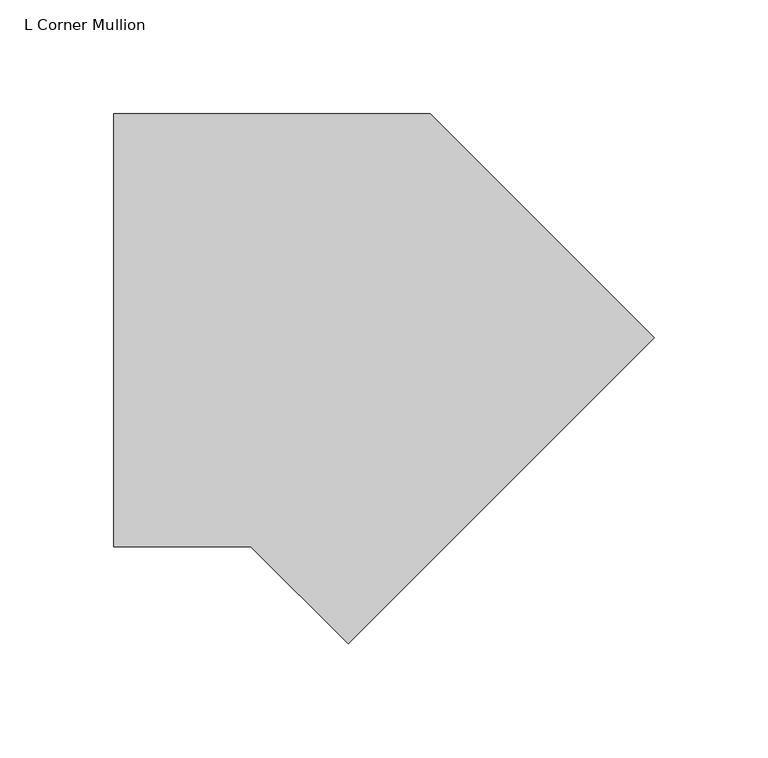
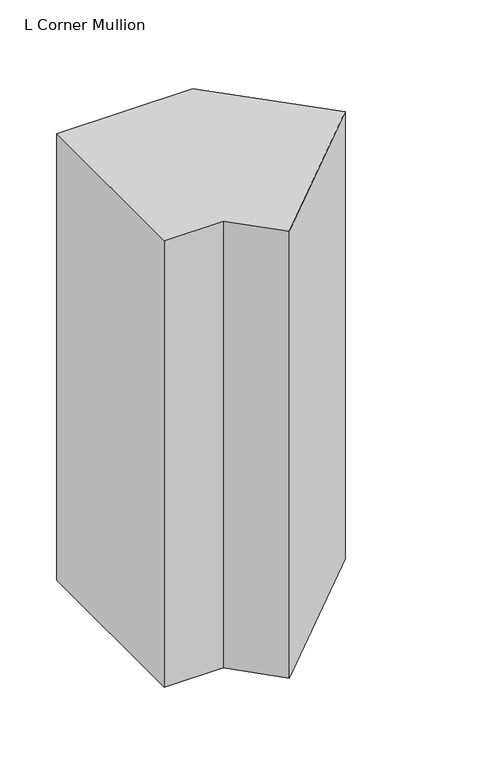
"""IFC4 building model written with IfcOpenShell, lengths in millimetres: member geometry, L Corner Mullion."""

from ifc_helpers import new_model, si_unit, frame, origin, place, context, project, spatial, polyline, outline, extrude, source, transform, mapped, element, save


def l_corner_mullion_b92a7087(model_context):
    return source(origin(), model_context, "Body", "SweptSolid", [
        extrude(outline(polyline([(26.8995846, -80.7811214), (-15.7815367, -38.1), (-76.1417574, -38.1), (-76.1417574, 152.4), (63.1261469, 152.4), (161.6034264, 53.9227205), (26.8995846, -80.7811214)])), frame((0.0, 0.0, -482.1103332), z_axis=(0.0, 0.0, 1.0), x_axis=(1.0, 0.0, 0.0)), (0.0, 0.0, 1.0), 482.1103332),
    ])


if __name__ == "__main__":
    model = new_model("IFC4")
    model_context = context("Model", 3, world=origin())
    ifc_project = project(units=[si_unit("LENGTHUNIT", "METRE", prefix="MILLI")], contexts=[model_context])
    site = spatial("IfcSite", under=ifc_project)
    building = spatial("IfcBuilding", under=site)
    placement = place(None, origin())
    l_corner_mullion_shape = l_corner_mullion_b92a7087(model_context)
    element("IfcMember", 1, ObjectType="L Corner Mullion", at=placement, inside=building, context=model_context, shape_type="MappedRepresentation", body=[
        mapped(l_corner_mullion_shape, transform((0.0, 0.0, 0.0), x_axis=(1.0, 0.0, 0.0), y_axis=(0.0, 1.0, 0.0), z_axis=(0.0, 0.0, 1.0))),
    ])
    save(model, "model.ifc")
